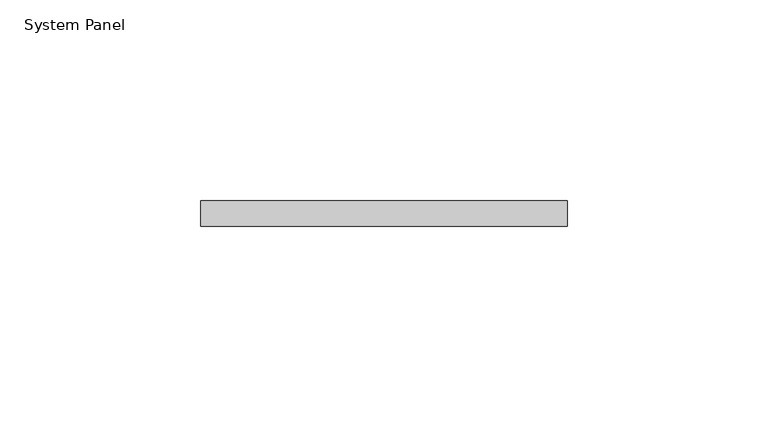
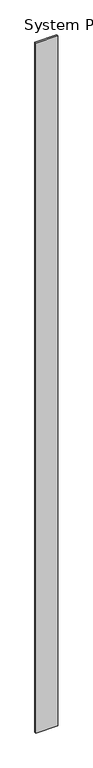
"""IFC4 building model written with IfcOpenShell, lengths in millimetres: plate geometry, System Panel."""

from ifc_helpers import new_model, si_unit, origin, origin_with_axes, place, context, project, spatial, polyline, outline, extrude, source, transform, mapped, element, save


def system_panel_d6d913b4(model_context):
    return source(origin(), model_context, "Body", "SweptSolid", [
        extrude(outline(polyline([(45.7033391, 0.0), (-45.7033391, 0.0), (-45.7033391, 6.35), (45.7033391, 6.35), (45.7033391, 0.0)])), origin_with_axes(), (0.0, 0.0, 1.0), 3048.0),
    ])


if __name__ == "__main__":
    model = new_model("IFC4")
    model_context = context("Model", 3, world=origin())
    ifc_project = project(units=[si_unit("LENGTHUNIT", "METRE", prefix="MILLI")], contexts=[model_context])
    site = spatial("IfcSite", under=ifc_project)
    building = spatial("IfcBuilding", under=site)
    placement = place(None, origin())
    system_panel_shape = system_panel_d6d913b4(model_context)
    element("IfcPlate", 1, ObjectType="System Panel", at=placement, inside=building, context=model_context, shape_type="MappedRepresentation", body=[
        mapped(system_panel_shape, transform((0.0, 0.0, 0.0), x_axis=(1.0, 0.0, 0.0), y_axis=(0.0, 1.0, 0.0), z_axis=(0.0, 0.0, 1.0))),
    ])
    save(model, "model.ifc")
